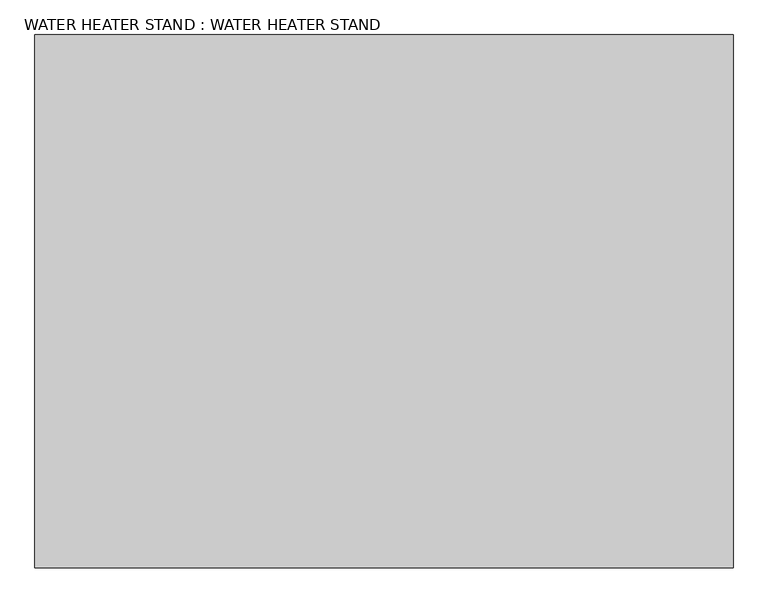
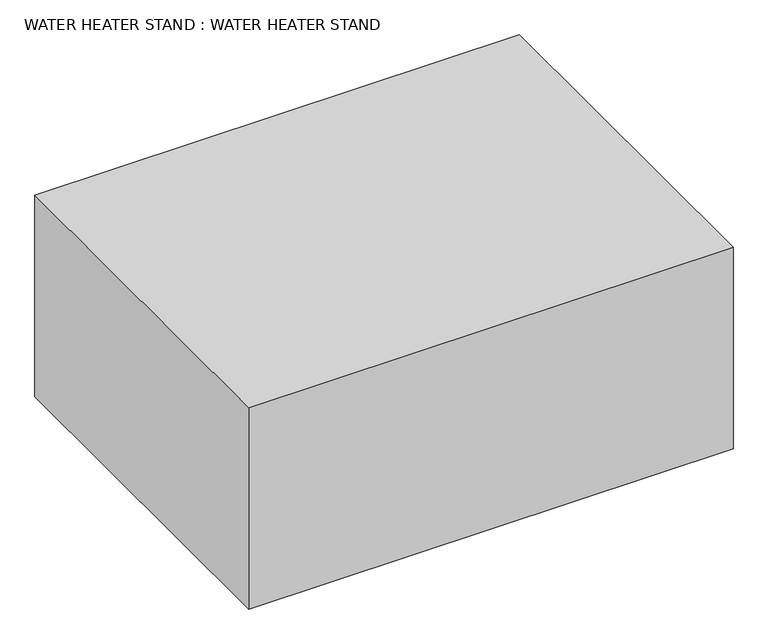
"""IFC4 building model written with IfcOpenShell, lengths in millimetres: proxy geometry, WATER HEATER STAND : WATER HEATER STAND."""

from ifc_helpers import new_model, si_unit, origin, origin_with_axes, place, context, project, spatial, polyline, outline, extrude, source, transform, mapped, element, save


def water_heater_stand_water_heater_stand_41b0c1d4(model_context):
    return source(origin(), model_context, "Body", "SweptSolid", [
        extrude(outline(polyline([(-2657.5178132, 4245.9656373), (-2657.5178132, 3363.3156373), (-3813.2178132, 3363.3156373), (-3813.2178132, 4245.9656373), (-2657.5178132, 4245.9656373)])), origin_with_axes(), (0.0, 0.0, 1.0), 508.0),
    ])


if __name__ == "__main__":
    model = new_model("IFC4")
    model_context = context("Model", 3, world=origin())
    ifc_project = project(units=[si_unit("LENGTHUNIT", "METRE", prefix="MILLI")], contexts=[model_context])
    site = spatial("IfcSite", under=ifc_project)
    building = spatial("IfcBuilding", under=site)
    placement = place(None, origin())
    water_heater_stand_water_heater_stand_shape = water_heater_stand_water_heater_stand_41b0c1d4(model_context)
    element("IfcBuildingElementProxy", 1, Name="WATER HEATER STAND : WATER HEATER STAND", ObjectType="WATER HEATER STAND : WATER HEATER STAND", at=placement, inside=building, context=model_context, shape_type="MappedRepresentation", body=[
        mapped(water_heater_stand_water_heater_stand_shape, transform((0.0, 0.0, 0.0), x_axis=(1.0, 0.0, 0.0), y_axis=(0.0, 1.0, 0.0), z_axis=(0.0, 0.0, 1.0))),
    ])
    save(model, "model.ifc")
